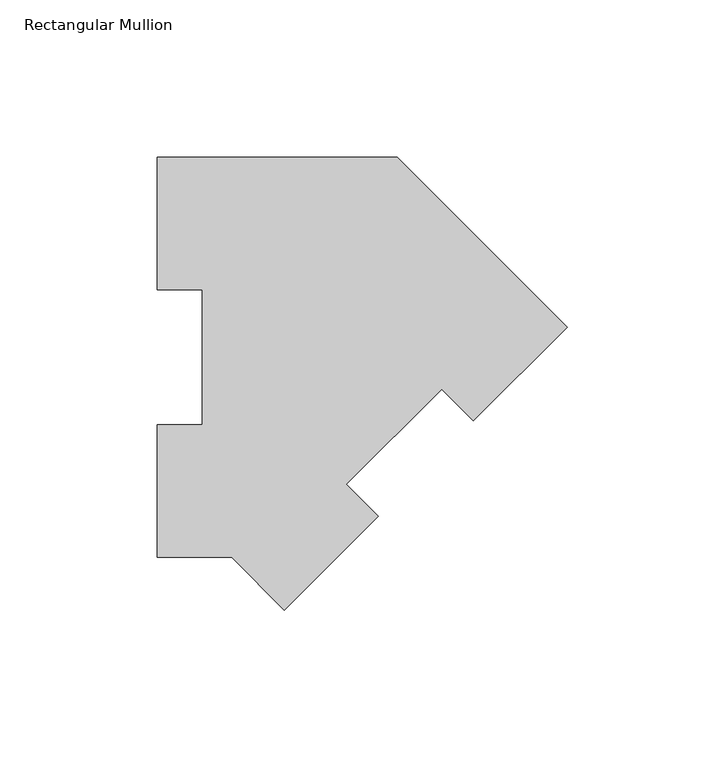
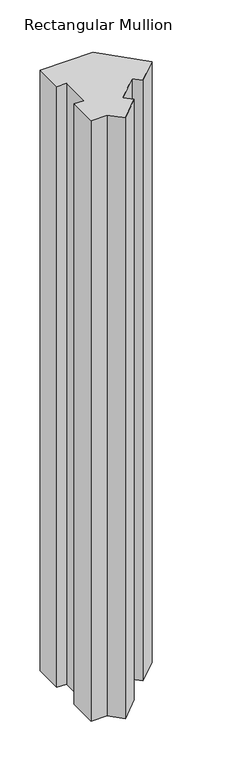
"""IFC4 building model written with IfcOpenShell, lengths in millimetres: member geometry, Rectangular Mullion."""

from ifc_helpers import new_model, si_unit, frame, origin, place, context, project, spatial, polyline, outline, extrude, source, transform, mapped, element, save


def rectangular_mullion_df16c9f7(model_context):
    return source(origin(), model_context, "Body", "SweptSolid", [
        extrude(outline(polyline([(-130.0815367, 127.00635), (-53.8815367, 127.00635), (0.0, 73.1248133), (-29.7515885, 43.3732247), (-39.8543767, 53.4760129), (-70.1537608, 23.1766287), (-60.0509727, 13.0738406), (-89.8025612, -16.6777479), (-106.4866592, 0.00635), (-130.0815367, 0.00635), (-130.0815367, 42.08145), (-115.7940367, 42.08145), (-115.7940367, 84.93125), (-130.0815367, 84.93125), (-130.0815367, 127.00635)])), frame((0.0, 0.0, -914.4), z_axis=(0.0, 0.0, 1.0), x_axis=(1.0, 0.0, 0.0)), (0.0, 0.0, 1.0), 914.4),
    ])


if __name__ == "__main__":
    model = new_model("IFC4")
    model_context = context("Model", 3, world=origin())
    ifc_project = project(units=[si_unit("LENGTHUNIT", "METRE", prefix="MILLI")], contexts=[model_context])
    site = spatial("IfcSite", under=ifc_project)
    building = spatial("IfcBuilding", under=site)
    placement = place(None, origin())
    rectangular_mullion_shape = rectangular_mullion_df16c9f7(model_context)
    element("IfcMember", 1, ObjectType="Rectangular Mullion", at=placement, inside=building, context=model_context, shape_type="MappedRepresentation", body=[
        mapped(rectangular_mullion_shape, transform((0.0, 0.0, 0.0), x_axis=(1.0, 0.0, 0.0), y_axis=(0.0, 1.0, 0.0), z_axis=(0.0, 0.0, 1.0))),
    ])
    save(model, "model.ifc")
